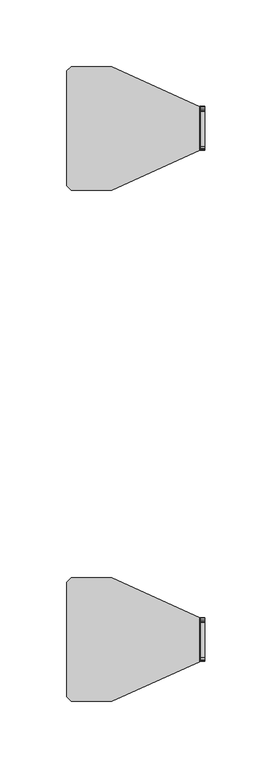
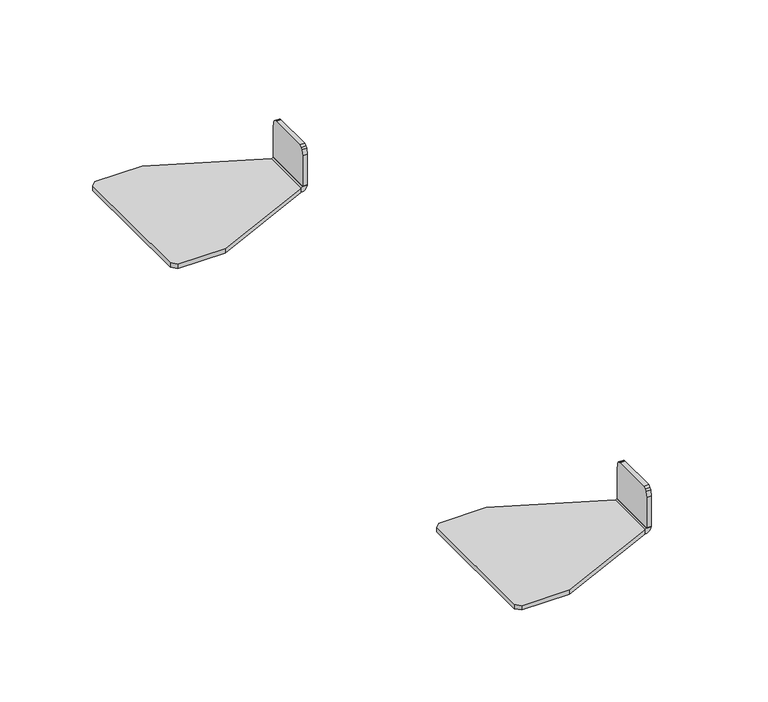
"""IFC4 building model written with IfcOpenShell, lengths in millimetres: furniture geometry."""

from ifc_helpers import new_model, si_unit, point, frame, frame_2d, origin, place, context, project, spatial, polyline, circle_curve, trimmed, segment, composite_curve, outline, extrude, source, transform, mapped, element, save


def furniture_65b491e6(model_context):
    return source(origin(), model_context, "Body", "SweptSolid", [
        extrude(outline(composite_curve([segment(polyline([(79.7547751, 47.7049788), (79.7547751, 44.7111591)]), True, "CONTINUOUS"), segment(trimmed(circle_curve(frame_2d((80.3237204, 43.7697678)), 1.099962), [point((79.7547751, 44.7111591))], [point((79.2378281, 43.9451367))], True, "CARTESIAN"), True, "CONTINUOUS"), segment(polyline([(79.2378281, 43.9451367), (76.1999866, 43.9451367)]), True, "CONTINUOUS"), segment(trimmed(circle_curve(frame_2d((80.4764356, 43.462296)), 4.3036207), [point((76.1999866, 43.9451367))], [point((79.7547751, 47.7049788))], False, "CARTESIAN"), True, "CONTINUOUS")], self_intersect=False)), frame((0.0, -429.9366042, 0.0), z_axis=(0.0, 1.0, 0.0), x_axis=(0.0, 0.0, 1.0)), (0.0, 0.0, 1.0), 32.8760466),
        extrude(outline(polyline([(-397.0605576, 79.7547751), (-429.9366042, 79.7547751), (-429.9366042, 100.7048449), (-429.1749434, 104.2881773), (-428.4683881, 105.5119669), (-426.9133638, 106.4463198), (-400.6641211, 106.4463198), (-399.8229726, 106.2980026), (-398.5767196, 105.5784782), (-397.7728558, 104.2920271), (-397.0605576, 99.7947535), (-397.0605576, 79.7547751)])), frame((44.7036775, 0.0, 0.0), z_axis=(1.0, 0.0, 0.0), x_axis=(0.0, 1.0, 0.0)), (0.0, 0.0, 1.0), 3.0013013),
        extrude(outline(polyline([(43.9451367, -397.0736565), (43.9451367, -429.9394209), (-22.0007498, -459.5595613), (-52.4365536, -459.5595613), (-55.5375339, -456.3357285), (-55.5375339, -370.5067471), (-52.3957413, -367.4521978), (-22.0339783, -367.4521978), (43.9451367, -397.0736565)])), frame((0.0, 0.0, 76.1999866), z_axis=(0.0, 0.0, 1.0), x_axis=(1.0, 0.0, 0.0)), (0.0, 0.0, 1.0), 3.0378415),
        extrude(outline(composite_curve([segment(polyline([(79.7547885, 47.7049788), (79.7547885, 44.7111591)]), True, "CONTINUOUS"), segment(trimmed(circle_curve(frame_2d((80.3237338, 43.7697678)), 1.099962), [point((79.7547885, 44.7111591))], [point((79.2378415, 43.9451367))], True, "CARTESIAN"), True, "CONTINUOUS"), segment(polyline([(79.2378415, 43.9451367), (76.2, 43.9451367)]), True, "CONTINUOUS"), segment(trimmed(circle_curve(frame_2d((80.476449, 43.462296)), 4.3036207), [point((76.2, 43.9451367))], [point((79.7547885, 47.7049788))], False, "CARTESIAN"), True, "CONTINUOUS")], self_intersect=False)), frame((0.0, -811.9930967, 0.0), z_axis=(0.0, 1.0, 0.0), x_axis=(0.0, 0.0, 1.0)), (0.0, 0.0, 1.0), 32.8760466),
        extrude(outline(polyline([(-779.1170501, 79.7547885), (-811.9930967, 79.7547885), (-811.9930967, 100.7048582), (-811.2314359, 104.2881906), (-810.5248806, 105.5119803), (-808.9698562, 106.4463332), (-782.7206135, 106.4463332), (-781.879465, 106.298016), (-780.6332121, 105.5784915), (-779.8293482, 104.2920405), (-779.1170501, 99.7947669), (-779.1170501, 79.7547885)])), frame((44.7036775, 0.0, 0.0), z_axis=(1.0, 0.0, 0.0), x_axis=(0.0, 1.0, 0.0)), (0.0, 0.0, 1.0), 3.0013013),
        extrude(outline(polyline([(43.9451367, -779.130149), (43.9451367, -811.9959134), (-22.0007498, -841.6160537), (-52.4365536, -841.6160537), (-55.5375339, -838.392221), (-55.5375339, -752.5632395), (-52.3957413, -749.5086903), (-22.0339783, -749.5086903), (43.9451367, -779.130149)])), frame((0.0, 0.0, 76.2), z_axis=(0.0, 0.0, 1.0), x_axis=(1.0, 0.0, 0.0)), (0.0, 0.0, 1.0), 3.0378415),
    ])


if __name__ == "__main__":
    model = new_model("IFC4")
    model_context = context("Model", 3, world=origin())
    ifc_project = project(units=[si_unit("LENGTHUNIT", "METRE", prefix="MILLI")], contexts=[model_context])
    site = spatial("IfcSite", under=ifc_project)
    building = spatial("IfcBuilding", under=site)
    placement = place(None, origin())
    furniture_shape = furniture_65b491e6(model_context)
    element("IfcFurniture", 1, at=placement, inside=building, context=model_context, shape_type="MappedRepresentation", body=[
        mapped(furniture_shape, transform((0.0, 0.0, 0.0), x_axis=(1.0, 0.0, 0.0), y_axis=(0.0, 1.0, 0.0), z_axis=(0.0, 0.0, 1.0))),
    ])
    save(model, "model.ifc")
